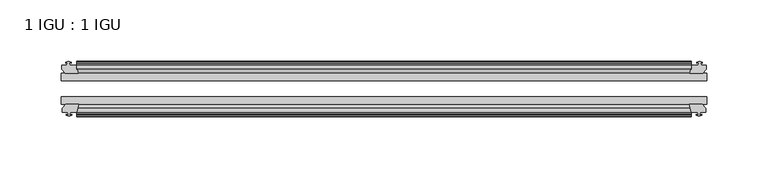
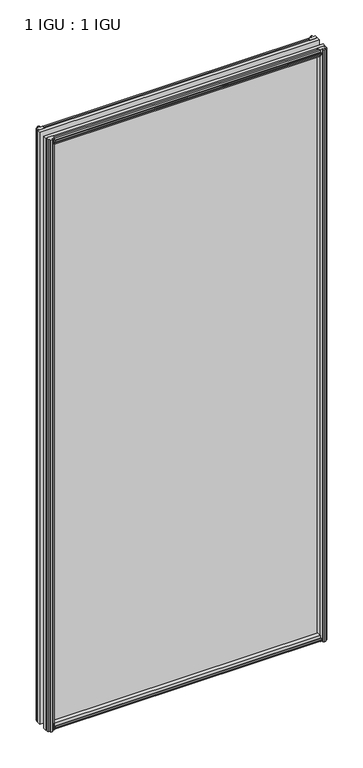
"""IFC4 building model written with IfcOpenShell, lengths in millimetres: plate geometry, 1 IGU : 1 IGU."""

from ifc_helpers import new_model, si_unit, frame, origin, place, context, project, spatial, polyline, outline, extrude, source, transform, mapped, element, save


def plate_1_igu_1_igu_893d4500(model_context):
    return source(origin(), model_context, "Body", "SweptSolid", [
        extrude(outline(polyline([(-25.8960937, 1.1970181), (-19.5460937, -0.5207), (-19.5460937, -5.7277), (-17.1658968, -6.1087), (-17.62583, -4.6931709), (-16.8246158, -4.6931709), (-16.1170937, -6.8707), (-16.8246158, -9.0482291), (-17.62583, -9.0482291), (-17.1658968, -7.6327), (-19.5460937, -8.0137), (-19.5460937, -12.4587), (-22.4924937, -12.4587), (-25.8960937, -9.6243578), (-25.8960937, 1.1970181)])), frame((-250.8249998, 0.0, 0.0), z_axis=(1.0, 0.0, 0.0), x_axis=(0.0, 1.0, 0.0)), (0.0, 0.0, 1.0), 501.6499997),
        extrude(outline(polyline([(-51.2960937, 1.7177181), (-51.2960937, -9.1036578), (-54.6996937, -11.938), (-57.6460937, -11.938), (-57.6460937, -7.493), (-60.0262907, -7.112), (-59.5663575, -8.5275291), (-60.3675717, -8.5275291), (-61.0750937, -6.35), (-60.3675717, -4.1724709), (-59.5663575, -4.1724709), (-60.0262907, -5.588), (-57.6460937, -5.207), (-57.6460937, 0.0), (-51.2960937, 1.7177181)])), frame((-250.8249998, 0.0, 0.0), z_axis=(1.0, 0.0, 0.0), x_axis=(0.0, 1.0, 0.0)), (0.0, 0.0, 1.0), 501.6499997),
        extrude(outline(polyline([(-57.6460937, 1167.638), (-54.6996937, 1167.638), (-51.2960937, 1164.8036578), (-51.2960937, 1153.9822819), (-57.6460937, 1155.7), (-57.6460937, 1160.907), (-60.0262907, 1161.288), (-59.5663575, 1159.8724709), (-60.3675717, 1159.8724709), (-61.0750937, 1162.05), (-60.3675717, 1164.2275291), (-59.5663575, 1164.2275291), (-60.0262907, 1162.812), (-57.6460937, 1163.193), (-57.6460937, 1167.638)])), frame((-250.8249998, 0.0, 0.0), z_axis=(1.0, 0.0, 0.0), x_axis=(0.0, 1.0, 0.0)), (0.0, 0.0, 1.0), 501.6499997),
        extrude(outline(polyline([(-19.5460937, 1168.1587), (-19.5460937, 1163.7137), (-17.1658968, 1163.3327), (-17.62583, 1164.7482291), (-16.8246158, 1164.7482291), (-16.1170937, 1162.5707), (-16.8246158, 1160.3931709), (-17.62583, 1160.3931709), (-17.1658968, 1161.8087), (-19.5460937, 1161.4277), (-19.5460937, 1156.2207), (-25.8960937, 1154.5029819), (-25.8960937, 1165.3243578), (-22.4924937, 1168.1587), (-19.5460937, 1168.1587)])), frame((-250.8249998, 0.0, 0.0), z_axis=(1.0, 0.0, 0.0), x_axis=(0.0, 1.0, 0.0)), (0.0, 0.0, 1.0), 501.6499997),
        extrude(outline(polyline([(-257.6956998, -16.1170937), (-255.5181708, -16.8246158), (-255.5181708, -17.62583), (-256.9336998, -17.1658968), (-256.5526998, -19.5460937), (-251.3456998, -19.5460937), (-249.6279818, -25.8960937), (-260.4493577, -25.8960937), (-263.2836998, -22.4924937), (-263.2836998, -19.5460937), (-258.8386998, -19.5460937), (-258.4576998, -17.1658968), (-259.8732289, -17.62583), (-259.8732289, -16.8246158), (-257.6956998, -16.1170937)])), frame((0.0, 0.0, -12.7), z_axis=(0.0, 0.0, 1.0), x_axis=(1.0, 0.0, 0.0)), (0.0, 0.0, 1.0), 1181.1),
        extrude(outline(polyline([(-257.1749998, -61.0750938), (-259.3525289, -60.3675717), (-259.3525289, -59.5663575), (-257.9369998, -60.0262907), (-258.3179998, -57.6460938), (-262.7629998, -57.6460938), (-262.7629998, -54.6996938), (-259.9286577, -51.2960937), (-249.1072818, -51.2960937), (-250.8249998, -57.6460938), (-256.0319998, -57.6460938), (-256.4129998, -60.0262907), (-254.9974708, -59.5663575), (-254.9974708, -60.3675717), (-257.1749998, -61.0750938)])), frame((0.0, 0.0, -12.7), z_axis=(0.0, 0.0, 1.0), x_axis=(1.0, 0.0, 0.0)), (0.0, 0.0, 1.0), 1181.1),
        extrude(outline(polyline([(256.5526998, -19.5460937), (256.9336998, -17.1658968), (255.5181708, -17.62583), (255.5181708, -16.8246158), (257.6956998, -16.1170937), (259.8732289, -16.8246158), (259.8732289, -17.62583), (258.4576998, -17.1658968), (258.8386998, -19.5460937), (263.2836998, -19.5460937), (263.2836998, -22.4924937), (260.4493577, -25.8960937), (249.6279818, -25.8960937), (251.3456998, -19.5460937), (256.5526998, -19.5460937)])), frame((0.0, 0.0, -12.7), z_axis=(0.0, 0.0, 1.0), x_axis=(1.0, 0.0, 0.0)), (0.0, 0.0, 1.0), 1181.1),
        extrude(outline(polyline([(259.9286577, -51.2960937), (262.7629998, -54.6996937), (262.7629998, -57.6460937), (258.3179998, -57.6460937), (257.9369998, -60.0262907), (259.3525289, -59.5663575), (259.3525289, -60.3675717), (257.1749998, -61.0750937), (254.9974708, -60.3675717), (254.9974708, -59.5663575), (256.4129998, -60.0262907), (256.0319998, -57.6460937), (250.8249998, -57.6460937), (249.1072818, -51.2960937), (259.9286577, -51.2960937)])), frame((0.0, 0.0, -12.7), z_axis=(0.0, 0.0, 1.0), x_axis=(1.0, 0.0, 0.0)), (0.0, 0.0, 1.0), 1181.1),
        extrude(outline(polyline([(-263.5249998, -25.8960937), (263.5249998, -25.8960937), (263.5249998, -32.2460937), (-263.5249998, -32.2460937), (-263.5249998, -25.8960937)])), frame((0.0, 0.0, -12.7), z_axis=(0.0, 0.0, 1.0), x_axis=(1.0, 0.0, 0.0)), (0.0, 0.0, 1.0), 1181.1),
        extrude(outline(polyline([(263.5249998, -45.2686737), (263.5249998, -51.2960937), (-263.5249998, -51.2960937), (-263.5249998, -45.2686737), (263.5249998, -45.2686737)])), frame((0.0, 0.0, -12.7), z_axis=(0.0, 0.0, 1.0), x_axis=(1.0, 0.0, 0.0)), (0.0, 0.0, 1.0), 1181.1),
    ])


if __name__ == "__main__":
    model = new_model("IFC4")
    model_context = context("Model", 3, world=origin())
    ifc_project = project(units=[si_unit("LENGTHUNIT", "METRE", prefix="MILLI")], contexts=[model_context])
    site = spatial("IfcSite", under=ifc_project)
    building = spatial("IfcBuilding", under=site)
    placement = place(None, origin())
    plate_1_igu_1_igu_shape = plate_1_igu_1_igu_893d4500(model_context)
    element("IfcPlate", 1, ObjectType="1 IGU : 1 IGU", at=placement, inside=building, context=model_context, shape_type="MappedRepresentation", body=[
        mapped(plate_1_igu_1_igu_shape, transform((0.0, 0.0, 0.0), x_axis=(1.0, 0.0, 0.0), y_axis=(0.0, 1.0, 0.0), z_axis=(0.0, 0.0, 1.0))),
    ])
    save(model, "model.ifc")
